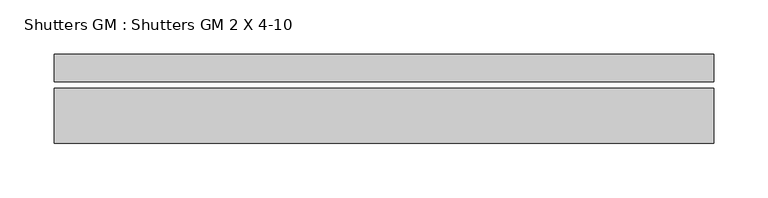
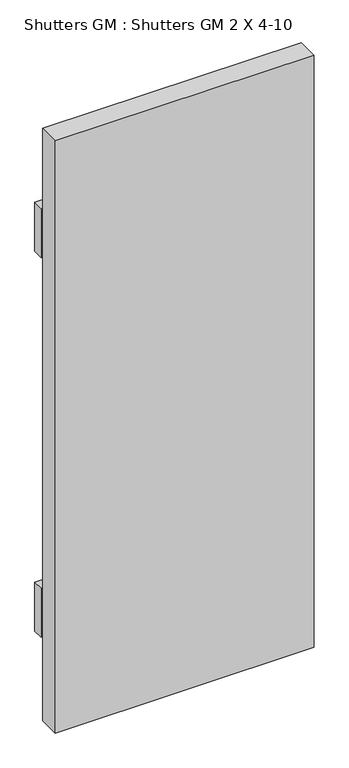
"""IFC4 building model written with IfcOpenShell, lengths in millimetres: proxy geometry, Shutters GM : Shutters GM 2 X 4-10."""

from ifc_helpers import new_model, si_unit, frame, origin, place, context, project, spatial, polyline, outline, extrude, source, transform, mapped, element, save


def shutters_gm_shutters_gm_2_x_4_10_5ece8c3a(model_context):
    return source(origin(), model_context, "Body", "SweptSolid", [
        extrude(outline(polyline([(-304.8, 152.4), (304.8, 152.4), (304.8, 127.0), (-304.8, 127.0), (-304.8, 152.4)])), frame((0.0, 0.0, 1552.1257333), z_axis=(0.0, 0.0, 1.0), x_axis=(1.0, 0.0, 0.0)), (0.0, 0.0, 1.0), 121.92),
        extrude(outline(polyline([(-304.8, 152.4), (304.8, 152.4), (304.8, 127.0), (-304.8, 127.0), (-304.8, 152.4)])), frame((0.0, 0.0, 2497.0057333), z_axis=(0.0, 0.0, 1.0), x_axis=(1.0, 0.0, 0.0)), (0.0, 0.0, 1.0), 121.92),
        extrude(outline(polyline([(304.8, 69.85), (-304.8, 69.85), (-304.8, 120.65), (304.8, 120.65), (304.8, 69.85)])), frame((0.0, 0.0, 1348.9257333), z_axis=(0.0, 0.0, 1.0), x_axis=(1.0, 0.0, 0.0)), (0.0, 0.0, 1.0), 1473.2),
    ])


if __name__ == "__main__":
    model = new_model("IFC4")
    model_context = context("Model", 3, world=origin())
    ifc_project = project(units=[si_unit("LENGTHUNIT", "METRE", prefix="MILLI")], contexts=[model_context])
    site = spatial("IfcSite", under=ifc_project)
    building = spatial("IfcBuilding", under=site)
    placement = place(None, origin())
    shutters_gm_shutters_gm_2_x_4_10_shape = shutters_gm_shutters_gm_2_x_4_10_5ece8c3a(model_context)
    element("IfcBuildingElementProxy", 1, Name="Shutters GM : Shutters GM 2 X 4-10", ObjectType="Shutters GM : Shutters GM 2 X 4-10", at=placement, inside=building, context=model_context, shape_type="MappedRepresentation", body=[
        mapped(shutters_gm_shutters_gm_2_x_4_10_shape, transform((0.0, 0.0, 0.0), x_axis=(1.0, 0.0, 0.0), y_axis=(0.0, 1.0, 0.0), z_axis=(0.0, 0.0, 1.0))),
    ])
    save(model, "model.ifc")
